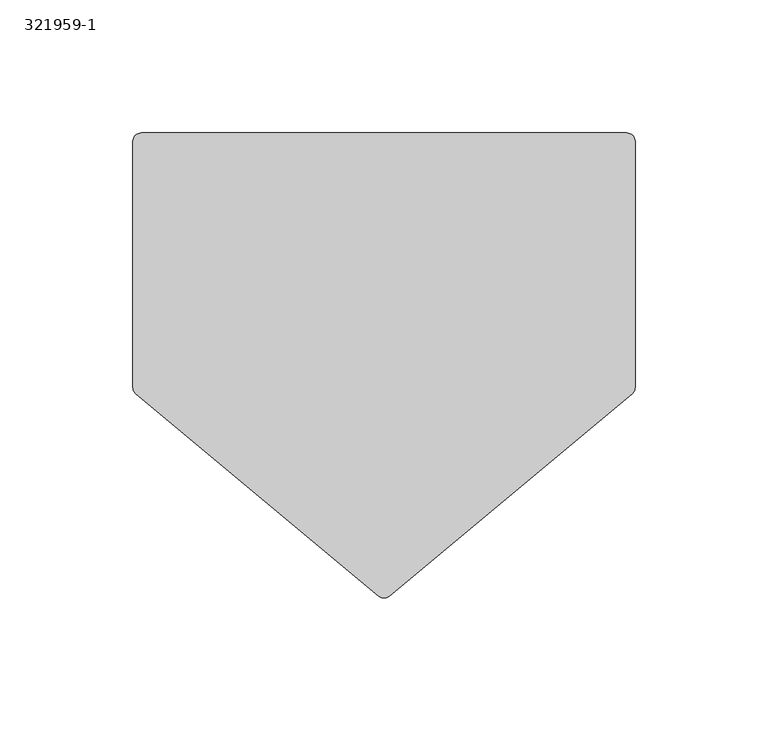
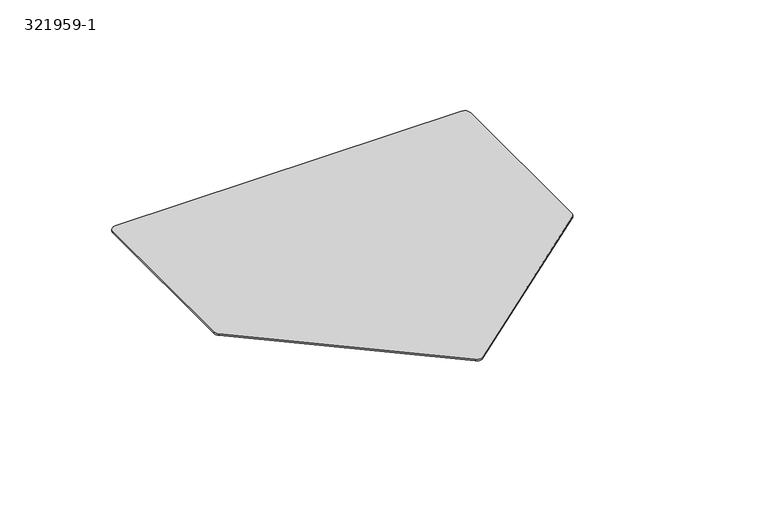
"""IFC4 building model written with IfcOpenShell, lengths in millimetres: proxy geometry, 321959-1."""

from ifc_helpers import new_model, si_unit, point, frame_2d, origin, origin_with_axes, place, context, project, spatial, polyline, circle_curve, trimmed, segment, composite_curve, outline, extrude, source, transform, mapped, element, save


def proxy_321959_1_e50e0dc0(model_context):
    return source(origin(), model_context, "Body", "SweptSolid", [
        extrude(outline(composite_curve([segment(trimmed(circle_curve(frame_2d((-91.313, -8.6729095)), 3.175), [point((-93.3455855, -11.1120121))], [point((-94.488, -8.6729095))], False, "CARTESIAN"), True, "CONTINUOUS"), segment(polyline([(-94.488, -8.6729095), (-94.488, 83.8962)]), True, "CONTINUOUS"), segment(trimmed(circle_curve(frame_2d((-91.313, 83.8962)), 3.175), [point((-94.488, 83.8962))], [point((-91.313, 87.0712))], False, "CARTESIAN"), True, "CONTINUOUS"), segment(polyline([(-91.313, 87.0712), (91.313, 87.0712)]), True, "CONTINUOUS"), segment(trimmed(circle_curve(frame_2d((91.313, 83.8962)), 3.175), [point((91.313, 87.0712))], [point((94.488, 83.8962))], False, "CARTESIAN"), True, "CONTINUOUS"), segment(polyline([(94.488, 83.8962), (94.488, -8.6729095)]), True, "CONTINUOUS"), segment(trimmed(circle_curve(frame_2d((91.313, -8.6729095)), 3.175), [point((94.488, -8.6729095))], [point((93.3455855, -11.1120121))], False, "CARTESIAN"), True, "CONTINUOUS"), segment(polyline([(93.3455855, -11.1120121), (2.0325855, -87.2061788)]), True, "CONTINUOUS"), segment(trimmed(circle_curve(frame_2d((0.0, -84.7670762)), 3.175), [point((2.0325855, -87.2061788))], [point((-2.0325855, -87.2061788))], False, "CARTESIAN"), True, "CONTINUOUS"), segment(polyline([(-2.0325855, -87.2061788), (-93.3455855, -11.1120121)]), True, "CONTINUOUS")], self_intersect=False)), origin_with_axes(), (0.0, 0.0, 1.0), 0.91186),
    ])


if __name__ == "__main__":
    model = new_model("IFC4")
    model_context = context("Model", 3, world=origin())
    ifc_project = project(units=[si_unit("LENGTHUNIT", "METRE", prefix="MILLI")], contexts=[model_context])
    site = spatial("IfcSite", under=ifc_project)
    building = spatial("IfcBuilding", under=site)
    placement = place(None, origin())
    proxy_321959_1_shape = proxy_321959_1_e50e0dc0(model_context)
    element("IfcBuildingElementProxy", 1, Name="321959-1", ObjectType="321959-1", at=placement, inside=building, context=model_context, shape_type="MappedRepresentation", body=[
        mapped(proxy_321959_1_shape, transform((0.0, 0.0, 0.0), x_axis=(1.0, 0.0, 0.0), y_axis=(0.0, 1.0, 0.0), z_axis=(0.0, 0.0, 1.0))),
    ])
    save(model, "model.ifc")
